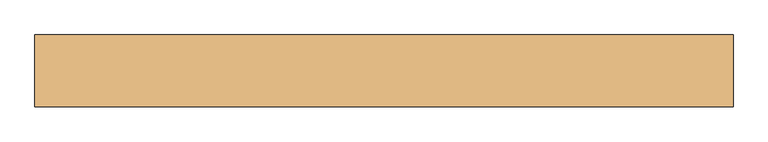
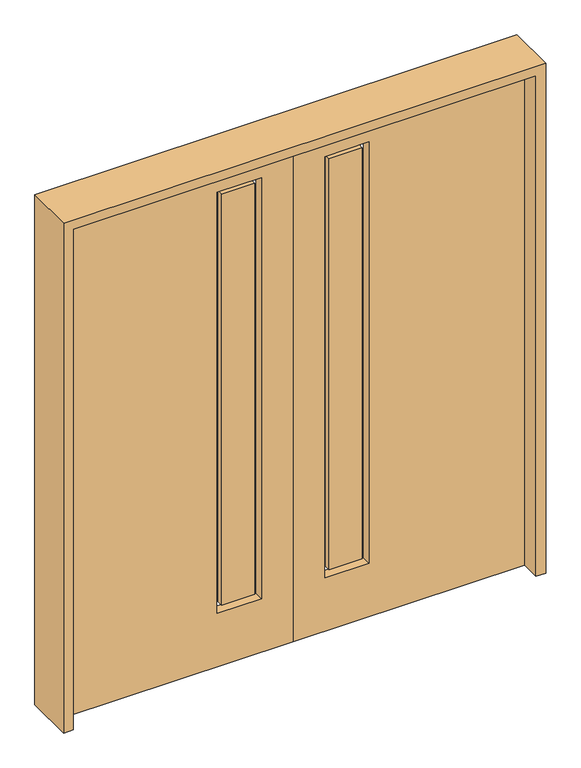
"""IFC4 building model written with IfcOpenShell, lengths in millimetres: door geometry."""

from ifc_helpers import new_model, si_unit, frame, origin, place, context, project, spatial, polyline, outline, extrude, source, transform, mapped, element, save


def door_4c6e857c(model_context):
    return source(origin(), model_context, "Body", "SweptSolid", [
        extrude(outline(polyline([(-323.85, -12.7039749), (-323.85, 14.2875), (-171.45, 14.2875), (-171.45, -12.7039749), (-323.85, -12.7039749)])), frame((0.0, 0.0, 285.75), z_axis=(0.0, 0.0, 1.0), x_axis=(1.0, 0.0, 0.0)), (0.0, 0.0, 1.0), 2000.25),
        extrude(outline(polyline([(2438.4, 0.0), (2438.4, -1066.8), (0.0, -1066.8), (0.0, 0.0), (2438.4, 0.0)]), holes=[polyline([(2311.4, -349.25), (2311.4, -146.05), (260.35, -146.05), (260.35, -349.25), (2311.4, -349.25)])]), frame((0.0, -22.225, 0.0), z_axis=(0.0, 1.0, 0.0), x_axis=(0.0, 0.0, 1.0)), (0.0, 0.0, 1.0), 44.45),
        extrude(outline(polyline([(323.85, -12.7039749), (171.45, -12.7039749), (171.45, 14.2875), (323.85, 14.2875), (323.85, -12.7039749)])), frame((0.0, 0.0, 285.75), z_axis=(0.0, 0.0, 1.0), x_axis=(1.0, 0.0, 0.0)), (0.0, 0.0, 1.0), 2000.25),
        extrude(outline(polyline([(2438.4, 0.0), (0.0, 0.0), (0.0, 1066.8), (2438.4, 1066.8), (2438.4, 0.0)]), holes=[polyline([(2311.4, 349.25), (260.35, 349.25), (260.35, 146.05), (2311.4, 146.05), (2311.4, 349.25)])]), frame((0.0, -22.225, 0.0), z_axis=(0.0, 1.0, 0.0), x_axis=(0.0, 0.0, 1.0)), (0.0, 0.0, 1.0), 44.45),
        extrude(outline(polyline([(0.0, 1066.8), (0.0, 1111.25), (2482.85, 1111.25), (2482.85, -1111.25), (0.0, -1111.25), (0.0, -1066.8), (2438.4, -1066.8), (2438.4, 1066.8), (0.0, 1066.8)])), frame((0.0, -114.3, 0.0), z_axis=(0.0, 1.0, 0.0), x_axis=(0.0, 0.0, 1.0)), (0.0, 0.0, 1.0), 228.6),
    ])


if __name__ == "__main__":
    model = new_model("IFC4")
    model_context = context("Model", 3, world=origin())
    ifc_project = project(units=[si_unit("LENGTHUNIT", "METRE", prefix="MILLI")], contexts=[model_context])
    site = spatial("IfcSite", under=ifc_project)
    building = spatial("IfcBuilding", under=site)
    placement = place(None, origin())
    door_shape = door_4c6e857c(model_context)
    element("IfcDoor", 1, at=placement, inside=building, context=model_context, shape_type="MappedRepresentation", body=[
        mapped(door_shape, transform((0.0, 0.0, 0.0), x_axis=(1.0, 0.0, 0.0), y_axis=(0.0, 1.0, 0.0), z_axis=(0.0, 0.0, 1.0))),
    ])
    save(model, "model.ifc")
